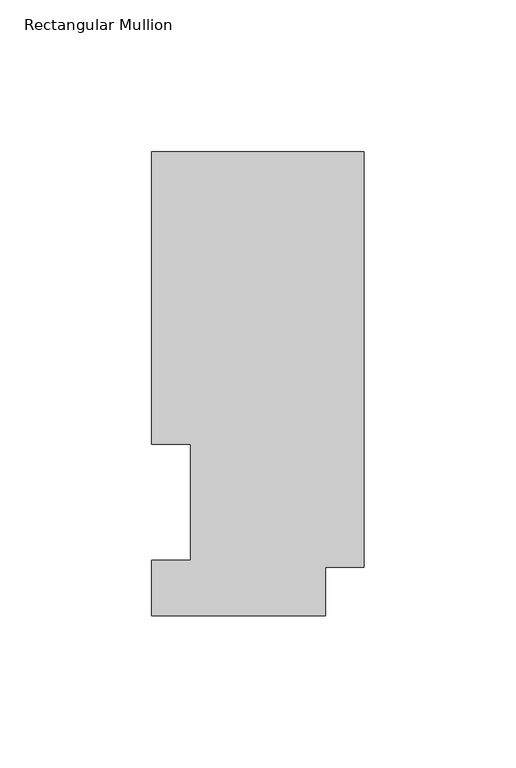
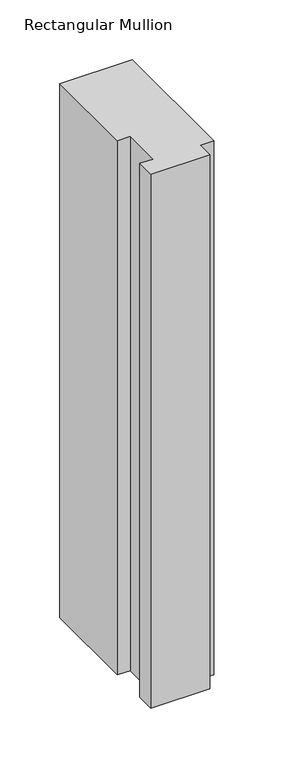
"""IFC4 building model written with IfcOpenShell, lengths in millimetres: member geometry, Rectangular Mullion."""

from ifc_helpers import new_model, si_unit, frame, origin, place, context, project, spatial, polyline, outline, extrude, source, transform, mapped, element, save


def rectangular_mullion_b3008ccf(model_context):
    return source(origin(), model_context, "Body", "SweptSolid", [
        extrude(outline(polyline([(-69.9516, 152.6475062), (0.0, 152.6475062), (0.0, 15.86865), (-12.8016, 15.86865), (-12.8016, -0.03175), (-69.9516, -0.03175), (-69.9516, 18.25625), (-57.2516, 18.25625), (-57.2516, 56.35625), (-69.9516, 56.35625), (-69.9516, 152.6475062)])), frame((0.0, 0.0, -546.1), z_axis=(0.0, 0.0, 1.0), x_axis=(1.0, 0.0, 0.0)), (0.0, 0.0, 1.0), 546.1),
    ])


if __name__ == "__main__":
    model = new_model("IFC4")
    model_context = context("Model", 3, world=origin())
    ifc_project = project(units=[si_unit("LENGTHUNIT", "METRE", prefix="MILLI")], contexts=[model_context])
    site = spatial("IfcSite", under=ifc_project)
    building = spatial("IfcBuilding", under=site)
    placement = place(None, origin())
    rectangular_mullion_shape = rectangular_mullion_b3008ccf(model_context)
    element("IfcMember", 1, ObjectType="Rectangular Mullion", at=placement, inside=building, context=model_context, shape_type="MappedRepresentation", body=[
        mapped(rectangular_mullion_shape, transform((0.0, 0.0, 0.0), x_axis=(1.0, 0.0, 0.0), y_axis=(0.0, 1.0, 0.0), z_axis=(0.0, 0.0, 1.0))),
    ])
    save(model, "model.ifc")
